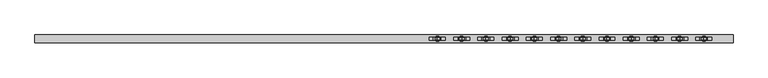
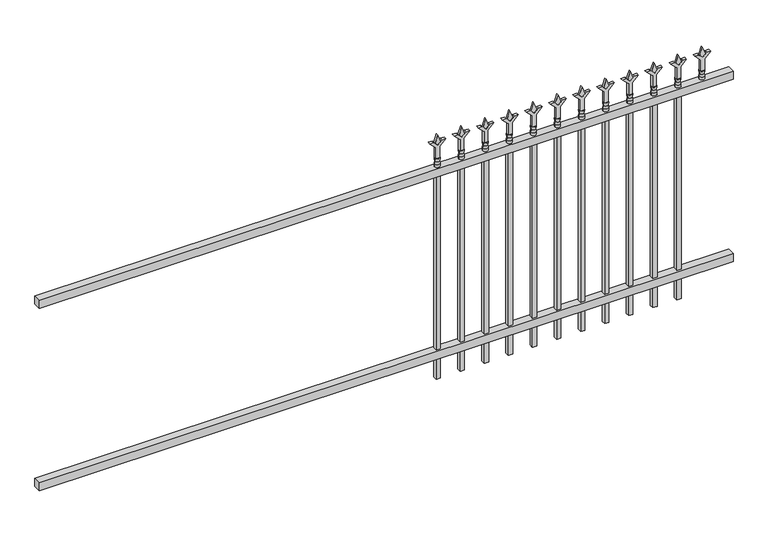
"""IFC4 building model written with IfcOpenShell, lengths in millimetres: railing geometry."""

from ifc_helpers import new_model, si_unit, frame, origin, place, context, project, spatial, polyline, circle_curve, outline, extrude, source, transform, mapped, element, save
from ifc_brep_helpers import plane_surface, cylinder_surface, revolved_surface, advanced_brep


def railing_1c0da85f(model_context):
    return source(origin(), model_context, "Body", "SolidModel", [
        extrude(outline(polyline([(-79633.318087, 5443.2804826), (-79633.318087, 5478.2054826), (-76483.718087, 5478.2054826), (-76483.718087, 5443.2804826), (-79633.318087, 5443.2804826)])), frame((0.0, 0.0, 1028.7), z_axis=(0.0, 0.0, 1.0), x_axis=(1.0, 0.0, 0.0)), (0.0, 0.0, 1.0), 38.1),
        extrude(outline(polyline([(-79633.318087, 5443.2804826), (-79633.318087, 5478.2054826), (-76483.718087, 5478.2054826), (-76483.718087, 5443.2804826), (-79633.318087, 5443.2804826)])), frame((0.0, 0.0, 152.4), z_axis=(0.0, 0.0, 1.0), x_axis=(1.0, 0.0, 0.0)), (0.0, 0.0, 1.0), 38.1),
        extrude(outline(polyline([(1183.48125, -76712.8472536), (1219.2, -76724.7535036), (1183.48125, -76736.6597536), (1171.575, -76724.7535036), (1183.48125, -76712.8472536)])), frame((0.0, 5455.9804826, 0.0), z_axis=(0.0, 1.0, 0.0), x_axis=(0.0, 0.0, 1.0)), (0.0, 0.0, 1.0), 9.525),
        extrude(outline(polyline([(1108.075, -76716.0222536), (1162.3457378, -76716.0222536), (1189.5355122, -76688.8324791), (1189.5355122, -76706.7929914), (1171.575, -76724.7535036), (1189.5355122, -76742.7140159), (1189.5355122, -76760.6745281), (1162.3457378, -76733.4847536), (1108.075, -76733.4847536), (1108.075, -76716.0222536)])), frame((0.0, 5454.3929826, 0.0), z_axis=(0.0, 1.0, 0.0), x_axis=(0.0, 0.0, 1.0)), (0.0, 0.0, 1.0), 12.7),
        advanced_brep(
        [(-76712.8472536, 5460.7429826, 1079.5), (-76736.6597536, 5460.7429826, 1079.5), (-76736.6597536, 5460.7429826, 1066.8), (-76712.8472536, 5460.7429826, 1066.8), (-76715.0525855, 5460.7429826, 1092.0070585), (-76734.4544218, 5460.7429826, 1092.0070585), (-76712.8472536, 5460.7429826, 1108.075), (-76736.6597536, 5460.7429826, 1108.075), (-76724.7535036, 5460.7429826, 1108.075), (-76724.7535036, 5460.7429826, 1066.8)],
        [
            (0, 1, circle_curve(frame((-76724.7535036, 5460.7429826, 1079.5), z_axis=(0.0, 0.0, -1.0), x_axis=(-1.0, 0.0, 0.0)), 11.90625)),
            (1, 2),
            (2, 3, circle_curve(frame((-76724.7535036, 5460.7429826, 1066.8), z_axis=(0.0, 0.0, 1.0), x_axis=(-1.0, 0.0, 0.0)), 11.90625)),
            (3, 0),
            (1, 0, circle_curve(frame((-76724.7535036, 5460.7429826, 1079.5), z_axis=(0.0, 0.0, -1.0), x_axis=(-1.0, 0.0, 0.0)), 11.90625)),
            (3, 2, circle_curve(frame((-76724.7535036, 5460.7429826, 1066.8), z_axis=(0.0, 0.0, 1.0), x_axis=(-1.0, 0.0, 0.0)), 11.90625)),
            (4, 5, circle_curve(frame((-76724.7535036, 5460.7429826, 1092.0070585), z_axis=(0.0, 0.0, -1.0), x_axis=(-1.0, 0.0, 0.0)), 9.7009181)),
            (5, 1),
            (0, 4),
            (5, 4, circle_curve(frame((-76724.7535036, 5460.7429826, 1092.0070585), z_axis=(0.0, 0.0, -1.0), x_axis=(-1.0, 0.0, 0.0)), 9.7009181)),
            (6, 7, circle_curve(frame((-76724.7535036, 5460.7429826, 1108.075), z_axis=(0.0, 0.0, -1.0), x_axis=(-1.0, 0.0, 0.0)), 11.90625)),
            (7, 5),
            (4, 6),
            (7, 6, circle_curve(frame((-76724.7535036, 5460.7429826, 1108.075), z_axis=(0.0, 0.0, -1.0), x_axis=(-1.0, 0.0, 0.0)), 11.90625)),
            (8, 7),
            (6, 8),
            (2, 9),
            (9, 3),
        ],
        [
            cylinder_surface(frame((-76724.7535036, 5460.7429826, 1066.8), z_axis=(0.0, 0.0, 1.0), x_axis=(-1.0, 0.0, 0.0)), 11.90625),
            revolved_surface(polyline([(-76736.6597536, 5460.7429826, 1079.5), (-76734.4544218, 5460.7429826, 1092.0070585)]), (-76724.7535036, 5460.7429826, 1066.8), (0.0, 0.0, 1.0)),
            revolved_surface(polyline([(-76734.4544218, 5460.7429826, 1092.0070585), (-76736.6597536, 5460.7429826, 1108.075)]), (-76724.7535036, 5460.7429826, 1066.8), (0.0, 0.0, 1.0)),
            plane_surface(frame((-76724.7535036, 5460.7429826, 1108.075), z_axis=(0.0, 0.0, 1.0), x_axis=(-1.0, 0.0, 0.0))),
            plane_surface(frame((-76724.7535036, 5460.7429826, 1066.8), z_axis=(0.0, 0.0, -1.0), x_axis=(-1.0, 0.0, 0.0))),
        ],
        [
            (0, [[1, 2, 3, 4]]),
            (0, [[5, -4, 6, -2]]),
            (1, [[7, 8, -1, 9]]),
            (1, [[10, -9, -5, -8]]),
            (2, [[11, 12, -7, 13]]),
            (2, [[14, -13, -10, -12]]),
            (3, [[15, -11, 16]]),
            (3, [[-16, -14, -15]]),
            (4, [[-3, 17, 18]]),
            (4, [[-6, -18, -17]]),
        ],
    ),
        extrude(outline(polyline([(-76734.2785036, 5470.2679826), (-76715.2285036, 5470.2679826), (-76715.2285036, 5451.2179826), (-76734.2785036, 5451.2179826), (-76734.2785036, 5470.2679826)])), frame((0.0, 0.0, 50.8), z_axis=(0.0, 0.0, 1.0), x_axis=(1.0, 0.0, 0.0)), (0.0, 0.0, 1.0), 1016.0),
        extrude(outline(polyline([(1183.48125, -76822.1201703), (1219.2, -76834.0264203), (1183.48125, -76845.9326703), (1171.575, -76834.0264203), (1183.48125, -76822.1201703)])), frame((0.0, 5455.9804826, 0.0), z_axis=(0.0, 1.0, 0.0), x_axis=(0.0, 0.0, 1.0)), (0.0, 0.0, 1.0), 9.525),
        extrude(outline(polyline([(1108.075, -76825.2951703), (1162.3457378, -76825.2951703), (1189.5355122, -76798.1053958), (1189.5355122, -76816.0659081), (1171.575, -76834.0264203), (1189.5355122, -76851.9869325), (1189.5355122, -76869.9474448), (1162.3457378, -76842.7576703), (1108.075, -76842.7576703), (1108.075, -76825.2951703)])), frame((0.0, 5454.3929826, 0.0), z_axis=(0.0, 1.0, 0.0), x_axis=(0.0, 0.0, 1.0)), (0.0, 0.0, 1.0), 12.7),
        advanced_brep(
        [(-76822.1201703, 5460.7429826, 1079.5), (-76845.9326703, 5460.7429826, 1079.5), (-76845.9326703, 5460.7429826, 1066.8), (-76822.1201703, 5460.7429826, 1066.8), (-76824.3255022, 5460.7429826, 1092.0070585), (-76843.7273384, 5460.7429826, 1092.0070585), (-76822.1201703, 5460.7429826, 1108.075), (-76845.9326703, 5460.7429826, 1108.075), (-76834.0264203, 5460.7429826, 1108.075), (-76834.0264203, 5460.7429826, 1066.8)],
        [
            (0, 1, circle_curve(frame((-76834.0264203, 5460.7429826, 1079.5), z_axis=(0.0, 0.0, -1.0), x_axis=(-1.0, 0.0, 0.0)), 11.90625)),
            (1, 2),
            (2, 3, circle_curve(frame((-76834.0264203, 5460.7429826, 1066.8), z_axis=(0.0, 0.0, 1.0), x_axis=(-1.0, 0.0, 0.0)), 11.90625)),
            (3, 0),
            (1, 0, circle_curve(frame((-76834.0264203, 5460.7429826, 1079.5), z_axis=(0.0, 0.0, -1.0), x_axis=(-1.0, 0.0, 0.0)), 11.90625)),
            (3, 2, circle_curve(frame((-76834.0264203, 5460.7429826, 1066.8), z_axis=(0.0, 0.0, 1.0), x_axis=(-1.0, 0.0, 0.0)), 11.90625)),
            (4, 5, circle_curve(frame((-76834.0264203, 5460.7429826, 1092.0070585), z_axis=(0.0, 0.0, -1.0), x_axis=(-1.0, 0.0, 0.0)), 9.7009181)),
            (5, 1),
            (0, 4),
            (5, 4, circle_curve(frame((-76834.0264203, 5460.7429826, 1092.0070585), z_axis=(0.0, 0.0, -1.0), x_axis=(-1.0, 0.0, 0.0)), 9.7009181)),
            (6, 7, circle_curve(frame((-76834.0264203, 5460.7429826, 1108.075), z_axis=(0.0, 0.0, -1.0), x_axis=(-1.0, 0.0, 0.0)), 11.90625)),
            (7, 5),
            (4, 6),
            (7, 6, circle_curve(frame((-76834.0264203, 5460.7429826, 1108.075), z_axis=(0.0, 0.0, -1.0), x_axis=(-1.0, 0.0, 0.0)), 11.90625)),
            (8, 7),
            (6, 8),
            (2, 9),
            (9, 3),
        ],
        [
            cylinder_surface(frame((-76834.0264203, 5460.7429826, 1066.8), z_axis=(0.0, 0.0, 1.0), x_axis=(-1.0, 0.0, 0.0)), 11.90625),
            revolved_surface(polyline([(-76845.9326703, 5460.7429826, 1079.5), (-76843.7273384, 5460.7429826, 1092.0070585)]), (-76834.0264203, 5460.7429826, 1066.8), (0.0, 0.0, 1.0)),
            revolved_surface(polyline([(-76843.7273384, 5460.7429826, 1092.0070585), (-76845.9326703, 5460.7429826, 1108.075)]), (-76834.0264203, 5460.7429826, 1066.8), (0.0, 0.0, 1.0)),
            plane_surface(frame((-76834.0264203, 5460.7429826, 1108.075), z_axis=(0.0, 0.0, 1.0), x_axis=(-1.0, 0.0, 0.0))),
            plane_surface(frame((-76834.0264203, 5460.7429826, 1066.8), z_axis=(0.0, 0.0, -1.0), x_axis=(-1.0, 0.0, 0.0))),
        ],
        [
            (0, [[1, 2, 3, 4]]),
            (0, [[5, -4, 6, -2]]),
            (1, [[7, 8, -1, 9]]),
            (1, [[10, -9, -5, -8]]),
            (2, [[11, 12, -7, 13]]),
            (2, [[14, -13, -10, -12]]),
            (3, [[15, -11, 16]]),
            (3, [[-16, -14, -15]]),
            (4, [[-3, 17, 18]]),
            (4, [[-6, -18, -17]]),
        ],
    ),
        extrude(outline(polyline([(-76843.5514203, 5470.2679826), (-76824.5014203, 5470.2679826), (-76824.5014203, 5451.2179826), (-76843.5514203, 5451.2179826), (-76843.5514203, 5470.2679826)])), frame((0.0, 0.0, 50.8), z_axis=(0.0, 0.0, 1.0), x_axis=(1.0, 0.0, 0.0)), (0.0, 0.0, 1.0), 1016.0),
        extrude(outline(polyline([(1183.48125, -76931.393087), (1219.2, -76943.299337), (1183.48125, -76955.205587), (1171.575, -76943.299337), (1183.48125, -76931.393087)])), frame((0.0, 5455.9804826, 0.0), z_axis=(0.0, 1.0, 0.0), x_axis=(0.0, 0.0, 1.0)), (0.0, 0.0, 1.0), 9.525),
        extrude(outline(polyline([(1108.075, -76934.568087), (1162.3457378, -76934.568087), (1189.5355122, -76907.3783125), (1189.5355122, -76925.3388247), (1171.575, -76943.299337), (1189.5355122, -76961.2598492), (1189.5355122, -76979.2203614), (1162.3457378, -76952.030587), (1108.075, -76952.030587), (1108.075, -76934.568087)])), frame((0.0, 5454.3929826, 0.0), z_axis=(0.0, 1.0, 0.0), x_axis=(0.0, 0.0, 1.0)), (0.0, 0.0, 1.0), 12.7),
        advanced_brep(
        [(-76931.393087, 5460.7429826, 1079.5), (-76955.205587, 5460.7429826, 1079.5), (-76955.205587, 5460.7429826, 1066.8), (-76931.393087, 5460.7429826, 1066.8), (-76933.5984188, 5460.7429826, 1092.0070585), (-76953.0002551, 5460.7429826, 1092.0070585), (-76931.393087, 5460.7429826, 1108.075), (-76955.205587, 5460.7429826, 1108.075), (-76943.299337, 5460.7429826, 1108.075), (-76943.299337, 5460.7429826, 1066.8)],
        [
            (0, 1, circle_curve(frame((-76943.299337, 5460.7429826, 1079.5), z_axis=(0.0, 0.0, -1.0), x_axis=(-1.0, 0.0, 0.0)), 11.90625)),
            (1, 2),
            (2, 3, circle_curve(frame((-76943.299337, 5460.7429826, 1066.8), z_axis=(0.0, 0.0, 1.0), x_axis=(-1.0, 0.0, 0.0)), 11.90625)),
            (3, 0),
            (1, 0, circle_curve(frame((-76943.299337, 5460.7429826, 1079.5), z_axis=(0.0, 0.0, -1.0), x_axis=(-1.0, 0.0, 0.0)), 11.90625)),
            (3, 2, circle_curve(frame((-76943.299337, 5460.7429826, 1066.8), z_axis=(0.0, 0.0, 1.0), x_axis=(-1.0, 0.0, 0.0)), 11.90625)),
            (4, 5, circle_curve(frame((-76943.299337, 5460.7429826, 1092.0070585), z_axis=(0.0, 0.0, -1.0), x_axis=(-1.0, 0.0, 0.0)), 9.7009181)),
            (5, 1),
            (0, 4),
            (5, 4, circle_curve(frame((-76943.299337, 5460.7429826, 1092.0070585), z_axis=(0.0, 0.0, -1.0), x_axis=(-1.0, 0.0, 0.0)), 9.7009181)),
            (6, 7, circle_curve(frame((-76943.299337, 5460.7429826, 1108.075), z_axis=(0.0, 0.0, -1.0), x_axis=(-1.0, 0.0, 0.0)), 11.90625)),
            (7, 5),
            (4, 6),
            (7, 6, circle_curve(frame((-76943.299337, 5460.7429826, 1108.075), z_axis=(0.0, 0.0, -1.0), x_axis=(-1.0, 0.0, 0.0)), 11.90625)),
            (8, 7),
            (6, 8),
            (2, 9),
            (9, 3),
        ],
        [
            cylinder_surface(frame((-76943.299337, 5460.7429826, 1066.8), z_axis=(0.0, 0.0, 1.0), x_axis=(-1.0, 0.0, 0.0)), 11.90625),
            revolved_surface(polyline([(-76955.205587, 5460.7429826, 1079.5), (-76953.0002551, 5460.7429826, 1092.0070585)]), (-76943.299337, 5460.7429826, 1066.8), (0.0, 0.0, 1.0)),
            revolved_surface(polyline([(-76953.0002551, 5460.7429826, 1092.0070585), (-76955.205587, 5460.7429826, 1108.075)]), (-76943.299337, 5460.7429826, 1066.8), (0.0, 0.0, 1.0)),
            plane_surface(frame((-76943.299337, 5460.7429826, 1108.075), z_axis=(0.0, 0.0, 1.0), x_axis=(-1.0, 0.0, 0.0))),
            plane_surface(frame((-76943.299337, 5460.7429826, 1066.8), z_axis=(0.0, 0.0, -1.0), x_axis=(-1.0, 0.0, 0.0))),
        ],
        [
            (0, [[1, 2, 3, 4]]),
            (0, [[5, -4, 6, -2]]),
            (1, [[7, 8, -1, 9]]),
            (1, [[10, -9, -5, -8]]),
            (2, [[11, 12, -7, 13]]),
            (2, [[14, -13, -10, -12]]),
            (3, [[15, -11, 16]]),
            (3, [[-16, -14, -15]]),
            (4, [[-3, 17, 18]]),
            (4, [[-6, -18, -17]]),
        ],
    ),
        extrude(outline(polyline([(-76952.824337, 5470.2679826), (-76933.774337, 5470.2679826), (-76933.774337, 5451.2179826), (-76952.824337, 5451.2179826), (-76952.824337, 5470.2679826)])), frame((0.0, 0.0, 50.8), z_axis=(0.0, 0.0, 1.0), x_axis=(1.0, 0.0, 0.0)), (0.0, 0.0, 1.0), 1016.0),
        extrude(outline(polyline([(1183.48125, -77040.6660036), (1219.2, -77052.5722536), (1183.48125, -77064.4785036), (1171.575, -77052.5722536), (1183.48125, -77040.6660036)])), frame((0.0, 5455.9804826, 0.0), z_axis=(0.0, 1.0, 0.0), x_axis=(0.0, 0.0, 1.0)), (0.0, 0.0, 1.0), 9.525),
        extrude(outline(polyline([(1108.075, -77043.8410036), (1162.3457378, -77043.8410036), (1189.5355122, -77016.6512291), (1189.5355122, -77034.6117414), (1171.575, -77052.5722536), (1189.5355122, -77070.5327659), (1189.5355122, -77088.4932781), (1162.3457378, -77061.3035036), (1108.075, -77061.3035036), (1108.075, -77043.8410036)])), frame((0.0, 5454.3929826, 0.0), z_axis=(0.0, 1.0, 0.0), x_axis=(0.0, 0.0, 1.0)), (0.0, 0.0, 1.0), 12.7),
        advanced_brep(
        [(-77040.6660036, 5460.7429826, 1079.5), (-77064.4785036, 5460.7429826, 1079.5), (-77064.4785036, 5460.7429826, 1066.8), (-77040.6660036, 5460.7429826, 1066.8), (-77042.8713355, 5460.7429826, 1092.0070585), (-77062.2731718, 5460.7429826, 1092.0070585), (-77040.6660036, 5460.7429826, 1108.075), (-77064.4785036, 5460.7429826, 1108.075), (-77052.5722536, 5460.7429826, 1108.075), (-77052.5722536, 5460.7429826, 1066.8)],
        [
            (0, 1, circle_curve(frame((-77052.5722536, 5460.7429826, 1079.5), z_axis=(0.0, 0.0, -1.0), x_axis=(-1.0, 0.0, 0.0)), 11.90625)),
            (1, 2),
            (2, 3, circle_curve(frame((-77052.5722536, 5460.7429826, 1066.8), z_axis=(0.0, 0.0, 1.0), x_axis=(-1.0, 0.0, 0.0)), 11.90625)),
            (3, 0),
            (1, 0, circle_curve(frame((-77052.5722536, 5460.7429826, 1079.5), z_axis=(0.0, 0.0, -1.0), x_axis=(-1.0, 0.0, 0.0)), 11.90625)),
            (3, 2, circle_curve(frame((-77052.5722536, 5460.7429826, 1066.8), z_axis=(0.0, 0.0, 1.0), x_axis=(-1.0, 0.0, 0.0)), 11.90625)),
            (4, 5, circle_curve(frame((-77052.5722536, 5460.7429826, 1092.0070585), z_axis=(0.0, 0.0, -1.0), x_axis=(-1.0, 0.0, 0.0)), 9.7009181)),
            (5, 1),
            (0, 4),
            (5, 4, circle_curve(frame((-77052.5722536, 5460.7429826, 1092.0070585), z_axis=(0.0, 0.0, -1.0), x_axis=(-1.0, 0.0, 0.0)), 9.7009181)),
            (6, 7, circle_curve(frame((-77052.5722536, 5460.7429826, 1108.075), z_axis=(0.0, 0.0, -1.0), x_axis=(-1.0, 0.0, 0.0)), 11.90625)),
            (7, 5),
            (4, 6),
            (7, 6, circle_curve(frame((-77052.5722536, 5460.7429826, 1108.075), z_axis=(0.0, 0.0, -1.0), x_axis=(-1.0, 0.0, 0.0)), 11.90625)),
            (8, 7),
            (6, 8),
            (2, 9),
            (9, 3),
        ],
        [
            cylinder_surface(frame((-77052.5722536, 5460.7429826, 1066.8), z_axis=(0.0, 0.0, 1.0), x_axis=(-1.0, 0.0, 0.0)), 11.90625),
            revolved_surface(polyline([(-77064.4785036, 5460.7429826, 1079.5), (-77062.2731718, 5460.7429826, 1092.0070585)]), (-77052.5722536, 5460.7429826, 1066.8), (0.0, 0.0, 1.0)),
            revolved_surface(polyline([(-77062.2731718, 5460.7429826, 1092.0070585), (-77064.4785036, 5460.7429826, 1108.075)]), (-77052.5722536, 5460.7429826, 1066.8), (0.0, 0.0, 1.0)),
            plane_surface(frame((-77052.5722536, 5460.7429826, 1108.075), z_axis=(0.0, 0.0, 1.0), x_axis=(-1.0, 0.0, 0.0))),
            plane_surface(frame((-77052.5722536, 5460.7429826, 1066.8), z_axis=(0.0, 0.0, -1.0), x_axis=(-1.0, 0.0, 0.0))),
        ],
        [
            (0, [[1, 2, 3, 4]]),
            (0, [[5, -4, 6, -2]]),
            (1, [[7, 8, -1, 9]]),
            (1, [[10, -9, -5, -8]]),
            (2, [[11, 12, -7, 13]]),
            (2, [[14, -13, -10, -12]]),
            (3, [[15, -11, 16]]),
            (3, [[-16, -14, -15]]),
            (4, [[-3, 17, 18]]),
            (4, [[-6, -18, -17]]),
        ],
    ),
        extrude(outline(polyline([(-77062.0972536, 5470.2679826), (-77043.0472536, 5470.2679826), (-77043.0472536, 5451.2179826), (-77062.0972536, 5451.2179826), (-77062.0972536, 5470.2679826)])), frame((0.0, 0.0, 50.8), z_axis=(0.0, 0.0, 1.0), x_axis=(1.0, 0.0, 0.0)), (0.0, 0.0, 1.0), 1016.0),
        extrude(outline(polyline([(1183.48125, -77149.9389203), (1219.2, -77161.8451703), (1183.48125, -77173.7514203), (1171.575, -77161.8451703), (1183.48125, -77149.9389203)])), frame((0.0, 5455.9804826, 0.0), z_axis=(0.0, 1.0, 0.0), x_axis=(0.0, 0.0, 1.0)), (0.0, 0.0, 1.0), 9.525),
        extrude(outline(polyline([(1108.075, -77153.1139203), (1162.3457378, -77153.1139203), (1189.5355122, -77125.9241458), (1189.5355122, -77143.8846581), (1171.575, -77161.8451703), (1189.5355122, -77179.8056825), (1189.5355122, -77197.7661948), (1162.3457378, -77170.5764203), (1108.075, -77170.5764203), (1108.075, -77153.1139203)])), frame((0.0, 5454.3929826, 0.0), z_axis=(0.0, 1.0, 0.0), x_axis=(0.0, 0.0, 1.0)), (0.0, 0.0, 1.0), 12.7),
        advanced_brep(
        [(-77149.9389203, 5460.7429826, 1079.5), (-77173.7514203, 5460.7429826, 1079.5), (-77173.7514203, 5460.7429826, 1066.8), (-77149.9389203, 5460.7429826, 1066.8), (-77152.1442522, 5460.7429826, 1092.0070585), (-77171.5460884, 5460.7429826, 1092.0070585), (-77149.9389203, 5460.7429826, 1108.075), (-77173.7514203, 5460.7429826, 1108.075), (-77161.8451703, 5460.7429826, 1108.075), (-77161.8451703, 5460.7429826, 1066.8)],
        [
            (0, 1, circle_curve(frame((-77161.8451703, 5460.7429826, 1079.5), z_axis=(0.0, 0.0, -1.0), x_axis=(-1.0, 0.0, 0.0)), 11.90625)),
            (1, 2),
            (2, 3, circle_curve(frame((-77161.8451703, 5460.7429826, 1066.8), z_axis=(0.0, 0.0, 1.0), x_axis=(-1.0, 0.0, 0.0)), 11.90625)),
            (3, 0),
            (1, 0, circle_curve(frame((-77161.8451703, 5460.7429826, 1079.5), z_axis=(0.0, 0.0, -1.0), x_axis=(-1.0, 0.0, 0.0)), 11.90625)),
            (3, 2, circle_curve(frame((-77161.8451703, 5460.7429826, 1066.8), z_axis=(0.0, 0.0, 1.0), x_axis=(-1.0, 0.0, 0.0)), 11.90625)),
            (4, 5, circle_curve(frame((-77161.8451703, 5460.7429826, 1092.0070585), z_axis=(0.0, 0.0, -1.0), x_axis=(-1.0, 0.0, 0.0)), 9.7009181)),
            (5, 1),
            (0, 4),
            (5, 4, circle_curve(frame((-77161.8451703, 5460.7429826, 1092.0070585), z_axis=(0.0, 0.0, -1.0), x_axis=(-1.0, 0.0, 0.0)), 9.7009181)),
            (6, 7, circle_curve(frame((-77161.8451703, 5460.7429826, 1108.075), z_axis=(0.0, 0.0, -1.0), x_axis=(-1.0, 0.0, 0.0)), 11.90625)),
            (7, 5),
            (4, 6),
            (7, 6, circle_curve(frame((-77161.8451703, 5460.7429826, 1108.075), z_axis=(0.0, 0.0, -1.0), x_axis=(-1.0, 0.0, 0.0)), 11.90625)),
            (8, 7),
            (6, 8),
            (2, 9),
            (9, 3),
        ],
        [
            cylinder_surface(frame((-77161.8451703, 5460.7429826, 1066.8), z_axis=(0.0, 0.0, 1.0), x_axis=(-1.0, 0.0, 0.0)), 11.90625),
            revolved_surface(polyline([(-77173.7514203, 5460.7429826, 1079.5), (-77171.5460884, 5460.7429826, 1092.0070585)]), (-77161.8451703, 5460.7429826, 1066.8), (0.0, 0.0, 1.0)),
            revolved_surface(polyline([(-77171.5460884, 5460.7429826, 1092.0070585), (-77173.7514203, 5460.7429826, 1108.075)]), (-77161.8451703, 5460.7429826, 1066.8), (0.0, 0.0, 1.0)),
            plane_surface(frame((-77161.8451703, 5460.7429826, 1108.075), z_axis=(0.0, 0.0, 1.0), x_axis=(-1.0, 0.0, 0.0))),
            plane_surface(frame((-77161.8451703, 5460.7429826, 1066.8), z_axis=(0.0, 0.0, -1.0), x_axis=(-1.0, 0.0, 0.0))),
        ],
        [
            (0, [[1, 2, 3, 4]]),
            (0, [[5, -4, 6, -2]]),
            (1, [[7, 8, -1, 9]]),
            (1, [[10, -9, -5, -8]]),
            (2, [[11, 12, -7, 13]]),
            (2, [[14, -13, -10, -12]]),
            (3, [[15, -11, 16]]),
            (3, [[-16, -14, -15]]),
            (4, [[-3, 17, 18]]),
            (4, [[-6, -18, -17]]),
        ],
    ),
        extrude(outline(polyline([(-77171.3701703, 5470.2679826), (-77152.3201703, 5470.2679826), (-77152.3201703, 5451.2179826), (-77171.3701703, 5451.2179826), (-77171.3701703, 5470.2679826)])), frame((0.0, 0.0, 50.8), z_axis=(0.0, 0.0, 1.0), x_axis=(1.0, 0.0, 0.0)), (0.0, 0.0, 1.0), 1016.0),
        extrude(outline(polyline([(1183.48125, -77259.211837), (1219.2, -77271.118087), (1183.48125, -77283.024337), (1171.575, -77271.118087), (1183.48125, -77259.211837)])), frame((0.0, 5455.9804826, 0.0), z_axis=(0.0, 1.0, 0.0), x_axis=(0.0, 0.0, 1.0)), (0.0, 0.0, 1.0), 9.525),
        extrude(outline(polyline([(1108.075, -77262.386837), (1162.3457378, -77262.386837), (1189.5355122, -77235.1970625), (1189.5355122, -77253.1575747), (1171.575, -77271.118087), (1189.5355122, -77289.0785992), (1189.5355122, -77307.0391114), (1162.3457378, -77279.849337), (1108.075, -77279.849337), (1108.075, -77262.386837)])), frame((0.0, 5454.3929826, 0.0), z_axis=(0.0, 1.0, 0.0), x_axis=(0.0, 0.0, 1.0)), (0.0, 0.0, 1.0), 12.7),
        advanced_brep(
        [(-77259.211837, 5460.7429826, 1079.5), (-77283.024337, 5460.7429826, 1079.5), (-77283.024337, 5460.7429826, 1066.8), (-77259.211837, 5460.7429826, 1066.8), (-77261.4171688, 5460.7429826, 1092.0070585), (-77280.8190051, 5460.7429826, 1092.0070585), (-77259.211837, 5460.7429826, 1108.075), (-77283.024337, 5460.7429826, 1108.075), (-77271.118087, 5460.7429826, 1108.075), (-77271.118087, 5460.7429826, 1066.8)],
        [
            (0, 1, circle_curve(frame((-77271.118087, 5460.7429826, 1079.5), z_axis=(0.0, 0.0, -1.0), x_axis=(-1.0, 0.0, 0.0)), 11.90625)),
            (1, 2),
            (2, 3, circle_curve(frame((-77271.118087, 5460.7429826, 1066.8), z_axis=(0.0, 0.0, 1.0), x_axis=(-1.0, 0.0, 0.0)), 11.90625)),
            (3, 0),
            (1, 0, circle_curve(frame((-77271.118087, 5460.7429826, 1079.5), z_axis=(0.0, 0.0, -1.0), x_axis=(-1.0, 0.0, 0.0)), 11.90625)),
            (3, 2, circle_curve(frame((-77271.118087, 5460.7429826, 1066.8), z_axis=(0.0, 0.0, 1.0), x_axis=(-1.0, 0.0, 0.0)), 11.90625)),
            (4, 5, circle_curve(frame((-77271.118087, 5460.7429826, 1092.0070585), z_axis=(0.0, 0.0, -1.0), x_axis=(-1.0, 0.0, 0.0)), 9.7009181)),
            (5, 1),
            (0, 4),
            (5, 4, circle_curve(frame((-77271.118087, 5460.7429826, 1092.0070585), z_axis=(0.0, 0.0, -1.0), x_axis=(-1.0, 0.0, 0.0)), 9.7009181)),
            (6, 7, circle_curve(frame((-77271.118087, 5460.7429826, 1108.075), z_axis=(0.0, 0.0, -1.0), x_axis=(-1.0, 0.0, 0.0)), 11.90625)),
            (7, 5),
            (4, 6),
            (7, 6, circle_curve(frame((-77271.118087, 5460.7429826, 1108.075), z_axis=(0.0, 0.0, -1.0), x_axis=(-1.0, 0.0, 0.0)), 11.90625)),
            (8, 7),
            (6, 8),
            (2, 9),
            (9, 3),
        ],
        [
            cylinder_surface(frame((-77271.118087, 5460.7429826, 1066.8), z_axis=(0.0, 0.0, 1.0), x_axis=(-1.0, 0.0, 0.0)), 11.90625),
            revolved_surface(polyline([(-77283.024337, 5460.7429826, 1079.5), (-77280.8190051, 5460.7429826, 1092.0070585)]), (-77271.118087, 5460.7429826, 1066.8), (0.0, 0.0, 1.0)),
            revolved_surface(polyline([(-77280.8190051, 5460.7429826, 1092.0070585), (-77283.024337, 5460.7429826, 1108.075)]), (-77271.118087, 5460.7429826, 1066.8), (0.0, 0.0, 1.0)),
            plane_surface(frame((-77271.118087, 5460.7429826, 1108.075), z_axis=(0.0, 0.0, 1.0), x_axis=(-1.0, 0.0, 0.0))),
            plane_surface(frame((-77271.118087, 5460.7429826, 1066.8), z_axis=(0.0, 0.0, -1.0), x_axis=(-1.0, 0.0, 0.0))),
        ],
        [
            (0, [[1, 2, 3, 4]]),
            (0, [[5, -4, 6, -2]]),
            (1, [[7, 8, -1, 9]]),
            (1, [[10, -9, -5, -8]]),
            (2, [[11, 12, -7, 13]]),
            (2, [[14, -13, -10, -12]]),
            (3, [[15, -11, 16]]),
            (3, [[-16, -14, -15]]),
            (4, [[-3, 17, 18]]),
            (4, [[-6, -18, -17]]),
        ],
    ),
        extrude(outline(polyline([(-77280.643087, 5470.2679826), (-77261.593087, 5470.2679826), (-77261.593087, 5451.2179826), (-77280.643087, 5451.2179826), (-77280.643087, 5470.2679826)])), frame((0.0, 0.0, 50.8), z_axis=(0.0, 0.0, 1.0), x_axis=(1.0, 0.0, 0.0)), (0.0, 0.0, 1.0), 1016.0),
        extrude(outline(polyline([(1183.48125, -77368.4847536), (1219.2, -77380.3910036), (1183.48125, -77392.2972536), (1171.575, -77380.3910036), (1183.48125, -77368.4847536)])), frame((0.0, 5455.9804826, 0.0), z_axis=(0.0, 1.0, 0.0), x_axis=(0.0, 0.0, 1.0)), (0.0, 0.0, 1.0), 9.525),
        extrude(outline(polyline([(1108.075, -77371.6597536), (1162.3457378, -77371.6597536), (1189.5355122, -77344.4699791), (1189.5355122, -77362.4304914), (1171.575, -77380.3910036), (1189.5355122, -77398.3515159), (1189.5355122, -77416.3120281), (1162.3457378, -77389.1222536), (1108.075, -77389.1222536), (1108.075, -77371.6597536)])), frame((0.0, 5454.3929826, 0.0), z_axis=(0.0, 1.0, 0.0), x_axis=(0.0, 0.0, 1.0)), (0.0, 0.0, 1.0), 12.7),
        advanced_brep(
        [(-77368.4847536, 5460.7429826, 1079.5), (-77392.2972536, 5460.7429826, 1079.5), (-77392.2972536, 5460.7429826, 1066.8), (-77368.4847536, 5460.7429826, 1066.8), (-77370.6900855, 5460.7429826, 1092.0070585), (-77390.0919218, 5460.7429826, 1092.0070585), (-77368.4847536, 5460.7429826, 1108.075), (-77392.2972536, 5460.7429826, 1108.075), (-77380.3910036, 5460.7429826, 1108.075), (-77380.3910036, 5460.7429826, 1066.8)],
        [
            (0, 1, circle_curve(frame((-77380.3910036, 5460.7429826, 1079.5), z_axis=(0.0, 0.0, -1.0), x_axis=(-1.0, 0.0, 0.0)), 11.90625)),
            (1, 2),
            (2, 3, circle_curve(frame((-77380.3910036, 5460.7429826, 1066.8), z_axis=(0.0, 0.0, 1.0), x_axis=(-1.0, 0.0, 0.0)), 11.90625)),
            (3, 0),
            (1, 0, circle_curve(frame((-77380.3910036, 5460.7429826, 1079.5), z_axis=(0.0, 0.0, -1.0), x_axis=(-1.0, 0.0, 0.0)), 11.90625)),
            (3, 2, circle_curve(frame((-77380.3910036, 5460.7429826, 1066.8), z_axis=(0.0, 0.0, 1.0), x_axis=(-1.0, 0.0, 0.0)), 11.90625)),
            (4, 5, circle_curve(frame((-77380.3910036, 5460.7429826, 1092.0070585), z_axis=(0.0, 0.0, -1.0), x_axis=(-1.0, 0.0, 0.0)), 9.7009181)),
            (5, 1),
            (0, 4),
            (5, 4, circle_curve(frame((-77380.3910036, 5460.7429826, 1092.0070585), z_axis=(0.0, 0.0, -1.0), x_axis=(-1.0, 0.0, 0.0)), 9.7009181)),
            (6, 7, circle_curve(frame((-77380.3910036, 5460.7429826, 1108.075), z_axis=(0.0, 0.0, -1.0), x_axis=(-1.0, 0.0, 0.0)), 11.90625)),
            (7, 5),
            (4, 6),
            (7, 6, circle_curve(frame((-77380.3910036, 5460.7429826, 1108.075), z_axis=(0.0, 0.0, -1.0), x_axis=(-1.0, 0.0, 0.0)), 11.90625)),
            (8, 7),
            (6, 8),
            (2, 9),
            (9, 3),
        ],
        [
            cylinder_surface(frame((-77380.3910036, 5460.7429826, 1066.8), z_axis=(0.0, 0.0, 1.0), x_axis=(-1.0, 0.0, 0.0)), 11.90625),
            revolved_surface(polyline([(-77392.2972536, 5460.7429826, 1079.5), (-77390.0919218, 5460.7429826, 1092.0070585)]), (-77380.3910036, 5460.7429826, 1066.8), (0.0, 0.0, 1.0)),
            revolved_surface(polyline([(-77390.0919218, 5460.7429826, 1092.0070585), (-77392.2972536, 5460.7429826, 1108.075)]), (-77380.3910036, 5460.7429826, 1066.8), (0.0, 0.0, 1.0)),
            plane_surface(frame((-77380.3910036, 5460.7429826, 1108.075), z_axis=(0.0, 0.0, 1.0), x_axis=(-1.0, 0.0, 0.0))),
            plane_surface(frame((-77380.3910036, 5460.7429826, 1066.8), z_axis=(0.0, 0.0, -1.0), x_axis=(-1.0, 0.0, 0.0))),
        ],
        [
            (0, [[1, 2, 3, 4]]),
            (0, [[5, -4, 6, -2]]),
            (1, [[7, 8, -1, 9]]),
            (1, [[10, -9, -5, -8]]),
            (2, [[11, 12, -7, 13]]),
            (2, [[14, -13, -10, -12]]),
            (3, [[15, -11, 16]]),
            (3, [[-16, -14, -15]]),
            (4, [[-3, 17, 18]]),
            (4, [[-6, -18, -17]]),
        ],
    ),
        extrude(outline(polyline([(-77389.9160036, 5470.2679826), (-77370.8660036, 5470.2679826), (-77370.8660036, 5451.2179826), (-77389.9160036, 5451.2179826), (-77389.9160036, 5470.2679826)])), frame((0.0, 0.0, 50.8), z_axis=(0.0, 0.0, 1.0), x_axis=(1.0, 0.0, 0.0)), (0.0, 0.0, 1.0), 1016.0),
        extrude(outline(polyline([(1183.48125, -77477.7576703), (1219.2, -77489.6639203), (1183.48125, -77501.5701703), (1171.575, -77489.6639203), (1183.48125, -77477.7576703)])), frame((0.0, 5455.9804826, 0.0), z_axis=(0.0, 1.0, 0.0), x_axis=(0.0, 0.0, 1.0)), (0.0, 0.0, 1.0), 9.525),
        extrude(outline(polyline([(1108.075, -77480.9326703), (1162.3457378, -77480.9326703), (1189.5355122, -77453.7428958), (1189.5355122, -77471.7034081), (1171.575, -77489.6639203), (1189.5355122, -77507.6244325), (1189.5355122, -77525.5849448), (1162.3457378, -77498.3951703), (1108.075, -77498.3951703), (1108.075, -77480.9326703)])), frame((0.0, 5454.3929826, 0.0), z_axis=(0.0, 1.0, 0.0), x_axis=(0.0, 0.0, 1.0)), (0.0, 0.0, 1.0), 12.7),
        advanced_brep(
        [(-77477.7576703, 5460.7429826, 1079.5), (-77501.5701703, 5460.7429826, 1079.5), (-77501.5701703, 5460.7429826, 1066.8), (-77477.7576703, 5460.7429826, 1066.8), (-77479.9630022, 5460.7429826, 1092.0070585), (-77499.3648384, 5460.7429826, 1092.0070585), (-77477.7576703, 5460.7429826, 1108.075), (-77501.5701703, 5460.7429826, 1108.075), (-77489.6639203, 5460.7429826, 1108.075), (-77489.6639203, 5460.7429826, 1066.8)],
        [
            (0, 1, circle_curve(frame((-77489.6639203, 5460.7429826, 1079.5), z_axis=(0.0, 0.0, -1.0), x_axis=(-1.0, 0.0, 0.0)), 11.90625)),
            (1, 2),
            (2, 3, circle_curve(frame((-77489.6639203, 5460.7429826, 1066.8), z_axis=(0.0, 0.0, 1.0), x_axis=(-1.0, 0.0, 0.0)), 11.90625)),
            (3, 0),
            (1, 0, circle_curve(frame((-77489.6639203, 5460.7429826, 1079.5), z_axis=(0.0, 0.0, -1.0), x_axis=(-1.0, 0.0, 0.0)), 11.90625)),
            (3, 2, circle_curve(frame((-77489.6639203, 5460.7429826, 1066.8), z_axis=(0.0, 0.0, 1.0), x_axis=(-1.0, 0.0, 0.0)), 11.90625)),
            (4, 5, circle_curve(frame((-77489.6639203, 5460.7429826, 1092.0070585), z_axis=(0.0, 0.0, -1.0), x_axis=(-1.0, 0.0, 0.0)), 9.7009181)),
            (5, 1),
            (0, 4),
            (5, 4, circle_curve(frame((-77489.6639203, 5460.7429826, 1092.0070585), z_axis=(0.0, 0.0, -1.0), x_axis=(-1.0, 0.0, 0.0)), 9.7009181)),
            (6, 7, circle_curve(frame((-77489.6639203, 5460.7429826, 1108.075), z_axis=(0.0, 0.0, -1.0), x_axis=(-1.0, 0.0, 0.0)), 11.90625)),
            (7, 5),
            (4, 6),
            (7, 6, circle_curve(frame((-77489.6639203, 5460.7429826, 1108.075), z_axis=(0.0, 0.0, -1.0), x_axis=(-1.0, 0.0, 0.0)), 11.90625)),
            (8, 7),
            (6, 8),
            (2, 9),
            (9, 3),
        ],
        [
            cylinder_surface(frame((-77489.6639203, 5460.7429826, 1066.8), z_axis=(0.0, 0.0, 1.0), x_axis=(-1.0, 0.0, 0.0)), 11.90625),
            revolved_surface(polyline([(-77501.5701703, 5460.7429826, 1079.5), (-77499.3648384, 5460.7429826, 1092.0070585)]), (-77489.6639203, 5460.7429826, 1066.8), (0.0, 0.0, 1.0)),
            revolved_surface(polyline([(-77499.3648384, 5460.7429826, 1092.0070585), (-77501.5701703, 5460.7429826, 1108.075)]), (-77489.6639203, 5460.7429826, 1066.8), (0.0, 0.0, 1.0)),
            plane_surface(frame((-77489.6639203, 5460.7429826, 1108.075), z_axis=(0.0, 0.0, 1.0), x_axis=(-1.0, 0.0, 0.0))),
            plane_surface(frame((-77489.6639203, 5460.7429826, 1066.8), z_axis=(0.0, 0.0, -1.0), x_axis=(-1.0, 0.0, 0.0))),
        ],
        [
            (0, [[1, 2, 3, 4]]),
            (0, [[5, -4, 6, -2]]),
            (1, [[7, 8, -1, 9]]),
            (1, [[10, -9, -5, -8]]),
            (2, [[11, 12, -7, 13]]),
            (2, [[14, -13, -10, -12]]),
            (3, [[15, -11, 16]]),
            (3, [[-16, -14, -15]]),
            (4, [[-3, 17, 18]]),
            (4, [[-6, -18, -17]]),
        ],
    ),
        extrude(outline(polyline([(-77499.1889203, 5470.2679826), (-77480.1389203, 5470.2679826), (-77480.1389203, 5451.2179826), (-77499.1889203, 5451.2179826), (-77499.1889203, 5470.2679826)])), frame((0.0, 0.0, 50.8), z_axis=(0.0, 0.0, 1.0), x_axis=(1.0, 0.0, 0.0)), (0.0, 0.0, 1.0), 1016.0),
        extrude(outline(polyline([(1183.48125, -77587.030587), (1219.2, -77598.936837), (1183.48125, -77610.843087), (1171.575, -77598.936837), (1183.48125, -77587.030587)])), frame((0.0, 5455.9804826, 0.0), z_axis=(0.0, 1.0, 0.0), x_axis=(0.0, 0.0, 1.0)), (0.0, 0.0, 1.0), 9.525),
        extrude(outline(polyline([(1108.075, -77590.205587), (1162.3457378, -77590.205587), (1189.5355122, -77563.0158125), (1189.5355122, -77580.9763247), (1171.575, -77598.936837), (1189.5355122, -77616.8973492), (1189.5355122, -77634.8578614), (1162.3457378, -77607.668087), (1108.075, -77607.668087), (1108.075, -77590.205587)])), frame((0.0, 5454.3929826, 0.0), z_axis=(0.0, 1.0, 0.0), x_axis=(0.0, 0.0, 1.0)), (0.0, 0.0, 1.0), 12.7),
        advanced_brep(
        [(-77587.030587, 5460.7429826, 1079.5), (-77610.843087, 5460.7429826, 1079.5), (-77610.843087, 5460.7429826, 1066.8), (-77587.030587, 5460.7429826, 1066.8), (-77589.2359188, 5460.7429826, 1092.0070585), (-77608.6377551, 5460.7429826, 1092.0070585), (-77587.030587, 5460.7429826, 1108.075), (-77610.843087, 5460.7429826, 1108.075), (-77598.936837, 5460.7429826, 1108.075), (-77598.936837, 5460.7429826, 1066.8)],
        [
            (0, 1, circle_curve(frame((-77598.936837, 5460.7429826, 1079.5), z_axis=(0.0, 0.0, -1.0), x_axis=(-1.0, 0.0, 0.0)), 11.90625)),
            (1, 2),
            (2, 3, circle_curve(frame((-77598.936837, 5460.7429826, 1066.8), z_axis=(0.0, 0.0, 1.0), x_axis=(-1.0, 0.0, 0.0)), 11.90625)),
            (3, 0),
            (1, 0, circle_curve(frame((-77598.936837, 5460.7429826, 1079.5), z_axis=(0.0, 0.0, -1.0), x_axis=(-1.0, 0.0, 0.0)), 11.90625)),
            (3, 2, circle_curve(frame((-77598.936837, 5460.7429826, 1066.8), z_axis=(0.0, 0.0, 1.0), x_axis=(-1.0, 0.0, 0.0)), 11.90625)),
            (4, 5, circle_curve(frame((-77598.936837, 5460.7429826, 1092.0070585), z_axis=(0.0, 0.0, -1.0), x_axis=(-1.0, 0.0, 0.0)), 9.7009181)),
            (5, 1),
            (0, 4),
            (5, 4, circle_curve(frame((-77598.936837, 5460.7429826, 1092.0070585), z_axis=(0.0, 0.0, -1.0), x_axis=(-1.0, 0.0, 0.0)), 9.7009181)),
            (6, 7, circle_curve(frame((-77598.936837, 5460.7429826, 1108.075), z_axis=(0.0, 0.0, -1.0), x_axis=(-1.0, 0.0, 0.0)), 11.90625)),
            (7, 5),
            (4, 6),
            (7, 6, circle_curve(frame((-77598.936837, 5460.7429826, 1108.075), z_axis=(0.0, 0.0, -1.0), x_axis=(-1.0, 0.0, 0.0)), 11.90625)),
            (8, 7),
            (6, 8),
            (2, 9),
            (9, 3),
        ],
        [
            cylinder_surface(frame((-77598.936837, 5460.7429826, 1066.8), z_axis=(0.0, 0.0, 1.0), x_axis=(-1.0, 0.0, 0.0)), 11.90625),
            revolved_surface(polyline([(-77610.843087, 5460.7429826, 1079.5), (-77608.6377551, 5460.7429826, 1092.0070585)]), (-77598.936837, 5460.7429826, 1066.8), (0.0, 0.0, 1.0)),
            revolved_surface(polyline([(-77608.6377551, 5460.7429826, 1092.0070585), (-77610.843087, 5460.7429826, 1108.075)]), (-77598.936837, 5460.7429826, 1066.8), (0.0, 0.0, 1.0)),
            plane_surface(frame((-77598.936837, 5460.7429826, 1108.075), z_axis=(0.0, 0.0, 1.0), x_axis=(-1.0, 0.0, 0.0))),
            plane_surface(frame((-77598.936837, 5460.7429826, 1066.8), z_axis=(0.0, 0.0, -1.0), x_axis=(-1.0, 0.0, 0.0))),
        ],
        [
            (0, [[1, 2, 3, 4]]),
            (0, [[5, -4, 6, -2]]),
            (1, [[7, 8, -1, 9]]),
            (1, [[10, -9, -5, -8]]),
            (2, [[11, 12, -7, 13]]),
            (2, [[14, -13, -10, -12]]),
            (3, [[15, -11, 16]]),
            (3, [[-16, -14, -15]]),
            (4, [[-3, 17, 18]]),
            (4, [[-6, -18, -17]]),
        ],
    ),
        extrude(outline(polyline([(-77608.461837, 5470.2679826), (-77589.411837, 5470.2679826), (-77589.411837, 5451.2179826), (-77608.461837, 5451.2179826), (-77608.461837, 5470.2679826)])), frame((0.0, 0.0, 50.8), z_axis=(0.0, 0.0, 1.0), x_axis=(1.0, 0.0, 0.0)), (0.0, 0.0, 1.0), 1016.0),
        extrude(outline(polyline([(1183.48125, -77696.3035036), (1219.2, -77708.2097536), (1183.48125, -77720.1160036), (1171.575, -77708.2097536), (1183.48125, -77696.3035036)])), frame((0.0, 5455.9804826, 0.0), z_axis=(0.0, 1.0, 0.0), x_axis=(0.0, 0.0, 1.0)), (0.0, 0.0, 1.0), 9.525),
        extrude(outline(polyline([(1108.075, -77699.4785036), (1162.3457378, -77699.4785036), (1189.5355122, -77672.2887291), (1189.5355122, -77690.2492414), (1171.575, -77708.2097536), (1189.5355122, -77726.1702659), (1189.5355122, -77744.1307781), (1162.3457378, -77716.9410036), (1108.075, -77716.9410036), (1108.075, -77699.4785036)])), frame((0.0, 5454.3929826, 0.0), z_axis=(0.0, 1.0, 0.0), x_axis=(0.0, 0.0, 1.0)), (0.0, 0.0, 1.0), 12.7),
        advanced_brep(
        [(-77696.3035036, 5460.7429826, 1079.5), (-77720.1160036, 5460.7429826, 1079.5), (-77720.1160036, 5460.7429826, 1066.8), (-77696.3035036, 5460.7429826, 1066.8), (-77698.5088355, 5460.7429826, 1092.0070585), (-77717.9106718, 5460.7429826, 1092.0070585), (-77696.3035036, 5460.7429826, 1108.075), (-77720.1160036, 5460.7429826, 1108.075), (-77708.2097536, 5460.7429826, 1108.075), (-77708.2097536, 5460.7429826, 1066.8)],
        [
            (0, 1, circle_curve(frame((-77708.2097536, 5460.7429826, 1079.5), z_axis=(0.0, 0.0, -1.0), x_axis=(-1.0, 0.0, 0.0)), 11.90625)),
            (1, 2),
            (2, 3, circle_curve(frame((-77708.2097536, 5460.7429826, 1066.8), z_axis=(0.0, 0.0, 1.0), x_axis=(-1.0, 0.0, 0.0)), 11.90625)),
            (3, 0),
            (1, 0, circle_curve(frame((-77708.2097536, 5460.7429826, 1079.5), z_axis=(0.0, 0.0, -1.0), x_axis=(-1.0, 0.0, 0.0)), 11.90625)),
            (3, 2, circle_curve(frame((-77708.2097536, 5460.7429826, 1066.8), z_axis=(0.0, 0.0, 1.0), x_axis=(-1.0, 0.0, 0.0)), 11.90625)),
            (4, 5, circle_curve(frame((-77708.2097536, 5460.7429826, 1092.0070585), z_axis=(0.0, 0.0, -1.0), x_axis=(-1.0, 0.0, 0.0)), 9.7009181)),
            (5, 1),
            (0, 4),
            (5, 4, circle_curve(frame((-77708.2097536, 5460.7429826, 1092.0070585), z_axis=(0.0, 0.0, -1.0), x_axis=(-1.0, 0.0, 0.0)), 9.7009181)),
            (6, 7, circle_curve(frame((-77708.2097536, 5460.7429826, 1108.075), z_axis=(0.0, 0.0, -1.0), x_axis=(-1.0, 0.0, 0.0)), 11.90625)),
            (7, 5),
            (4, 6),
            (7, 6, circle_curve(frame((-77708.2097536, 5460.7429826, 1108.075), z_axis=(0.0, 0.0, -1.0), x_axis=(-1.0, 0.0, 0.0)), 11.90625)),
            (8, 7),
            (6, 8),
            (2, 9),
            (9, 3),
        ],
        [
            cylinder_surface(frame((-77708.2097536, 5460.7429826, 1066.8), z_axis=(0.0, 0.0, 1.0), x_axis=(-1.0, 0.0, 0.0)), 11.90625),
            revolved_surface(polyline([(-77720.1160036, 5460.7429826, 1079.5), (-77717.9106718, 5460.7429826, 1092.0070585)]), (-77708.2097536, 5460.7429826, 1066.8), (0.0, 0.0, 1.0)),
            revolved_surface(polyline([(-77717.9106718, 5460.7429826, 1092.0070585), (-77720.1160036, 5460.7429826, 1108.075)]), (-77708.2097536, 5460.7429826, 1066.8), (0.0, 0.0, 1.0)),
            plane_surface(frame((-77708.2097536, 5460.7429826, 1108.075), z_axis=(0.0, 0.0, 1.0), x_axis=(-1.0, 0.0, 0.0))),
            plane_surface(frame((-77708.2097536, 5460.7429826, 1066.8), z_axis=(0.0, 0.0, -1.0), x_axis=(-1.0, 0.0, 0.0))),
        ],
        [
            (0, [[1, 2, 3, 4]]),
            (0, [[5, -4, 6, -2]]),
            (1, [[7, 8, -1, 9]]),
            (1, [[10, -9, -5, -8]]),
            (2, [[11, 12, -7, 13]]),
            (2, [[14, -13, -10, -12]]),
            (3, [[15, -11, 16]]),
            (3, [[-16, -14, -15]]),
            (4, [[-3, 17, 18]]),
            (4, [[-6, -18, -17]]),
        ],
    ),
        extrude(outline(polyline([(-77717.7347536, 5470.2679826), (-77698.6847536, 5470.2679826), (-77698.6847536, 5451.2179826), (-77717.7347536, 5451.2179826), (-77717.7347536, 5470.2679826)])), frame((0.0, 0.0, 50.8), z_axis=(0.0, 0.0, 1.0), x_axis=(1.0, 0.0, 0.0)), (0.0, 0.0, 1.0), 1016.0),
        extrude(outline(polyline([(1183.48125, -77805.5764203), (1219.2, -77817.4826703), (1183.48125, -77829.3889203), (1171.575, -77817.4826703), (1183.48125, -77805.5764203)])), frame((0.0, 5455.9804826, 0.0), z_axis=(0.0, 1.0, 0.0), x_axis=(0.0, 0.0, 1.0)), (0.0, 0.0, 1.0), 9.525),
        extrude(outline(polyline([(1108.075, -77808.7514203), (1162.3457378, -77808.7514203), (1189.5355122, -77781.5616458), (1189.5355122, -77799.5221581), (1171.575, -77817.4826703), (1189.5355122, -77835.4431825), (1189.5355122, -77853.4036948), (1162.3457378, -77826.2139203), (1108.075, -77826.2139203), (1108.075, -77808.7514203)])), frame((0.0, 5454.3929826, 0.0), z_axis=(0.0, 1.0, 0.0), x_axis=(0.0, 0.0, 1.0)), (0.0, 0.0, 1.0), 12.7),
        advanced_brep(
        [(-77805.5764203, 5460.7429826, 1079.5), (-77829.3889203, 5460.7429826, 1079.5), (-77829.3889203, 5460.7429826, 1066.8), (-77805.5764203, 5460.7429826, 1066.8), (-77807.7817522, 5460.7429826, 1092.0070585), (-77827.1835884, 5460.7429826, 1092.0070585), (-77805.5764203, 5460.7429826, 1108.075), (-77829.3889203, 5460.7429826, 1108.075), (-77817.4826703, 5460.7429826, 1108.075), (-77817.4826703, 5460.7429826, 1066.8)],
        [
            (0, 1, circle_curve(frame((-77817.4826703, 5460.7429826, 1079.5), z_axis=(0.0, 0.0, -1.0), x_axis=(-1.0, 0.0, 0.0)), 11.90625)),
            (1, 2),
            (2, 3, circle_curve(frame((-77817.4826703, 5460.7429826, 1066.8), z_axis=(0.0, 0.0, 1.0), x_axis=(-1.0, 0.0, 0.0)), 11.90625)),
            (3, 0),
            (1, 0, circle_curve(frame((-77817.4826703, 5460.7429826, 1079.5), z_axis=(0.0, 0.0, -1.0), x_axis=(-1.0, 0.0, 0.0)), 11.90625)),
            (3, 2, circle_curve(frame((-77817.4826703, 5460.7429826, 1066.8), z_axis=(0.0, 0.0, 1.0), x_axis=(-1.0, 0.0, 0.0)), 11.90625)),
            (4, 5, circle_curve(frame((-77817.4826703, 5460.7429826, 1092.0070585), z_axis=(0.0, 0.0, -1.0), x_axis=(-1.0, 0.0, 0.0)), 9.7009181)),
            (5, 1),
            (0, 4),
            (5, 4, circle_curve(frame((-77817.4826703, 5460.7429826, 1092.0070585), z_axis=(0.0, 0.0, -1.0), x_axis=(-1.0, 0.0, 0.0)), 9.7009181)),
            (6, 7, circle_curve(frame((-77817.4826703, 5460.7429826, 1108.075), z_axis=(0.0, 0.0, -1.0), x_axis=(-1.0, 0.0, 0.0)), 11.90625)),
            (7, 5),
            (4, 6),
            (7, 6, circle_curve(frame((-77817.4826703, 5460.7429826, 1108.075), z_axis=(0.0, 0.0, -1.0), x_axis=(-1.0, 0.0, 0.0)), 11.90625)),
            (8, 7),
            (6, 8),
            (2, 9),
            (9, 3),
        ],
        [
            cylinder_surface(frame((-77817.4826703, 5460.7429826, 1066.8), z_axis=(0.0, 0.0, 1.0), x_axis=(-1.0, 0.0, 0.0)), 11.90625),
            revolved_surface(polyline([(-77829.3889203, 5460.7429826, 1079.5), (-77827.1835884, 5460.7429826, 1092.0070585)]), (-77817.4826703, 5460.7429826, 1066.8), (0.0, 0.0, 1.0)),
            revolved_surface(polyline([(-77827.1835884, 5460.7429826, 1092.0070585), (-77829.3889203, 5460.7429826, 1108.075)]), (-77817.4826703, 5460.7429826, 1066.8), (0.0, 0.0, 1.0)),
            plane_surface(frame((-77817.4826703, 5460.7429826, 1108.075), z_axis=(0.0, 0.0, 1.0), x_axis=(-1.0, 0.0, 0.0))),
            plane_surface(frame((-77817.4826703, 5460.7429826, 1066.8), z_axis=(0.0, 0.0, -1.0), x_axis=(-1.0, 0.0, 0.0))),
        ],
        [
            (0, [[1, 2, 3, 4]]),
            (0, [[5, -4, 6, -2]]),
            (1, [[7, 8, -1, 9]]),
            (1, [[10, -9, -5, -8]]),
            (2, [[11, 12, -7, 13]]),
            (2, [[14, -13, -10, -12]]),
            (3, [[15, -11, 16]]),
            (3, [[-16, -14, -15]]),
            (4, [[-3, 17, 18]]),
            (4, [[-6, -18, -17]]),
        ],
    ),
        extrude(outline(polyline([(-77827.0076703, 5470.2679826), (-77807.9576703, 5470.2679826), (-77807.9576703, 5451.2179826), (-77827.0076703, 5451.2179826), (-77827.0076703, 5470.2679826)])), frame((0.0, 0.0, 50.8), z_axis=(0.0, 0.0, 1.0), x_axis=(1.0, 0.0, 0.0)), (0.0, 0.0, 1.0), 1016.0),
        extrude(outline(polyline([(1183.48125, -76603.574337), (1219.2, -76615.480587), (1183.48125, -76627.386837), (1171.575, -76615.480587), (1183.48125, -76603.574337)])), frame((0.0, 5455.9804826, 0.0), z_axis=(0.0, 1.0, 0.0), x_axis=(0.0, 0.0, 1.0)), (0.0, 0.0, 1.0), 9.525),
        extrude(outline(polyline([(1108.075, -76606.749337), (1162.3457378, -76606.749337), (1189.5355122, -76579.5595625), (1189.5355122, -76597.5200747), (1171.575, -76615.480587), (1189.5355122, -76633.4410992), (1189.5355122, -76651.4016114), (1162.3457378, -76624.211837), (1108.075, -76624.211837), (1108.075, -76606.749337)])), frame((0.0, 5454.3929826, 0.0), z_axis=(0.0, 1.0, 0.0), x_axis=(0.0, 0.0, 1.0)), (0.0, 0.0, 1.0), 12.7),
        advanced_brep(
        [(-76603.574337, 5460.7429826, 1079.5), (-76627.386837, 5460.7429826, 1079.5), (-76627.386837, 5460.7429826, 1066.8), (-76603.574337, 5460.7429826, 1066.8), (-76605.7796688, 5460.7429826, 1092.0070585), (-76625.1815051, 5460.7429826, 1092.0070585), (-76603.574337, 5460.7429826, 1108.075), (-76627.386837, 5460.7429826, 1108.075), (-76615.480587, 5460.7429826, 1108.075), (-76615.480587, 5460.7429826, 1066.8)],
        [
            (0, 1, circle_curve(frame((-76615.480587, 5460.7429826, 1079.5), z_axis=(0.0, 0.0, -1.0), x_axis=(-1.0, 0.0, 0.0)), 11.90625)),
            (1, 2),
            (2, 3, circle_curve(frame((-76615.480587, 5460.7429826, 1066.8), z_axis=(0.0, 0.0, 1.0), x_axis=(-1.0, 0.0, 0.0)), 11.90625)),
            (3, 0),
            (1, 0, circle_curve(frame((-76615.480587, 5460.7429826, 1079.5), z_axis=(0.0, 0.0, -1.0), x_axis=(-1.0, 0.0, 0.0)), 11.90625)),
            (3, 2, circle_curve(frame((-76615.480587, 5460.7429826, 1066.8), z_axis=(0.0, 0.0, 1.0), x_axis=(-1.0, 0.0, 0.0)), 11.90625)),
            (4, 5, circle_curve(frame((-76615.480587, 5460.7429826, 1092.0070585), z_axis=(0.0, 0.0, -1.0), x_axis=(-1.0, 0.0, 0.0)), 9.7009181)),
            (5, 1),
            (0, 4),
            (5, 4, circle_curve(frame((-76615.480587, 5460.7429826, 1092.0070585), z_axis=(0.0, 0.0, -1.0), x_axis=(-1.0, 0.0, 0.0)), 9.7009181)),
            (6, 7, circle_curve(frame((-76615.480587, 5460.7429826, 1108.075), z_axis=(0.0, 0.0, -1.0), x_axis=(-1.0, 0.0, 0.0)), 11.90625)),
            (7, 5),
            (4, 6),
            (7, 6, circle_curve(frame((-76615.480587, 5460.7429826, 1108.075), z_axis=(0.0, 0.0, -1.0), x_axis=(-1.0, 0.0, 0.0)), 11.90625)),
            (8, 7),
            (6, 8),
            (2, 9),
            (9, 3),
        ],
        [
            cylinder_surface(frame((-76615.480587, 5460.7429826, 1066.8), z_axis=(0.0, 0.0, 1.0), x_axis=(-1.0, 0.0, 0.0)), 11.90625),
            revolved_surface(polyline([(-76627.386837, 5460.7429826, 1079.5), (-76625.1815051, 5460.7429826, 1092.0070585)]), (-76615.480587, 5460.7429826, 1066.8), (0.0, 0.0, 1.0)),
            revolved_surface(polyline([(-76625.1815051, 5460.7429826, 1092.0070585), (-76627.386837, 5460.7429826, 1108.075)]), (-76615.480587, 5460.7429826, 1066.8), (0.0, 0.0, 1.0)),
            plane_surface(frame((-76615.480587, 5460.7429826, 1108.075), z_axis=(0.0, 0.0, 1.0), x_axis=(-1.0, 0.0, 0.0))),
            plane_surface(frame((-76615.480587, 5460.7429826, 1066.8), z_axis=(0.0, 0.0, -1.0), x_axis=(-1.0, 0.0, 0.0))),
        ],
        [
            (0, [[1, 2, 3, 4]]),
            (0, [[5, -4, 6, -2]]),
            (1, [[7, 8, -1, 9]]),
            (1, [[10, -9, -5, -8]]),
            (2, [[11, 12, -7, 13]]),
            (2, [[14, -13, -10, -12]]),
            (3, [[15, -11, 16]]),
            (3, [[-16, -14, -15]]),
            (4, [[-3, 17, 18]]),
            (4, [[-6, -18, -17]]),
        ],
    ),
    ])


if __name__ == "__main__":
    model = new_model("IFC4")
    model_context = context("Model", 3, world=origin())
    ifc_project = project(units=[si_unit("LENGTHUNIT", "METRE", prefix="MILLI")], contexts=[model_context])
    site = spatial("IfcSite", under=ifc_project)
    building = spatial("IfcBuilding", under=site)
    placement = place(None, origin())
    railing_shape = railing_1c0da85f(model_context)
    element("IfcRailing", 1, at=placement, inside=building, context=model_context, shape_type="MappedRepresentation", body=[
        mapped(railing_shape, transform((0.0, 0.0, 0.0), x_axis=(1.0, 0.0, 0.0), y_axis=(0.0, 1.0, 0.0), z_axis=(0.0, 0.0, 1.0))),
    ])
    save(model, "model.ifc")
